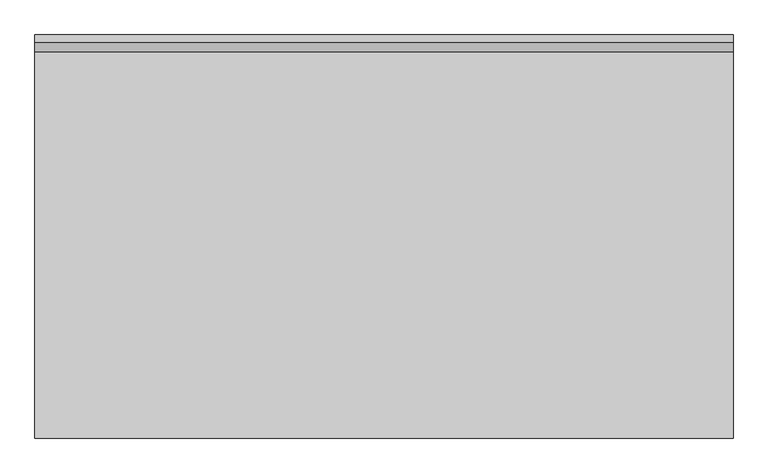
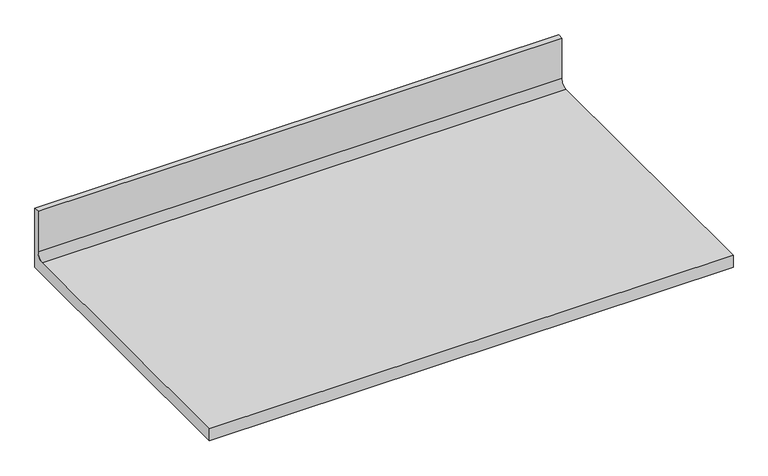
"""IFC4 building model written with IfcOpenShell, lengths in millimetres: furniture geometry."""

import ifcopenshell
import ifcopenshell.guid

model = None  # the IFC model being written
_history = None  # IfcOwnerHistory: only IFC2X3 demands one
_inside = {}  # id of a spatial element -> (the spatial element, [elements in it])
_under = {}  # id of a project, library or spatial element -> (it, [spatial elements below it])
_declared = {}  # id of a project -> (the project, [libraries it declares])
_typed = {}  # id of a type object -> (the type object, [elements of that type])
_made_of = {}  # id of a material, layer set ... -> (it, [elements and type objects made of it])


def new_model(schema):
    """Start an empty IFC model of exactly this schema.

    Asked for "IFC4X3", IfcOpenShell would pick the latest addendum, in which some entities
    have other attributes; the version numbers below select the first issue.
    IFC2X3 requires an IfcOwnerHistory on every rooted entity: one is made here for all.
    """
    global model, _history
    if schema == "IFC4X3":
        model = ifcopenshell.file(schema_version=(4, 3, 0, 0))
    else:
        model = ifcopenshell.file(schema=schema)
    _inside.clear()
    _under.clear()
    _declared.clear()
    _typed.clear()
    _made_of.clear()
    _history = None
    if model.schema == "IFC2X3":
        org = make("IfcOrganization", Name="unknown")
        user = make(
            "IfcPersonAndOrganization",
            ThePerson=make("IfcPerson", FamilyName="unknown"),
            TheOrganization=org,
        )
        app = make(
            "IfcApplication",
            ApplicationDeveloper=org,
            Version="unknown",
            ApplicationFullName="unknown",
            ApplicationIdentifier="unknown",
        )
        _history = make(
            "IfcOwnerHistory",
            OwningUser=user,
            OwningApplication=app,
            ChangeAction="ADDED",
            CreationDate=0,
        )
    return model


def make(cls, **values):
    """One entity of the class cls with the attributes given. An attribute that is None is left unset."""
    return model.create_entity(
        cls, **{name: value for name, value in values.items() if value is not None}
    )


def rooted(cls, **values):
    """An entity with a GlobalId (a new one), such as an element, a storey or a relation."""
    return make(cls, GlobalId=ifcopenshell.guid.new(), OwnerHistory=_history, **values)


def si_unit(unit_type, name, prefix=None):
    """IfcSIUnit, for example si_unit("LENGTHUNIT", "METRE", prefix="MILLI")."""
    return make("IfcSIUnit", UnitType=unit_type, Prefix=prefix, Name=name)


def assignment(units):
    """IfcUnitAssignment: the units of a project."""
    return None if units is None else make("IfcUnitAssignment", Units=units)


def point(xyz):
    """IfcCartesianPoint."""
    return None if xyz is None else make("IfcCartesianPoint", Coordinates=xyz)


def direction(xyz):
    """IfcDirection."""
    return None if xyz is None else make("IfcDirection", DirectionRatios=xyz)


def frame(location, z_axis=None, x_axis=None):
    """IfcAxis2Placement3D, a coordinate frame: its origin and axes. An axis left out is left unset."""
    return make(
        "IfcAxis2Placement3D",
        Location=point(location),
        Axis=direction(z_axis),
        RefDirection=direction(x_axis),
    )


def frame_2d(location, x_axis=None):
    """IfcAxis2Placement2D, a coordinate frame in the plane: its origin and x axis."""
    return make(
        "IfcAxis2Placement2D", Location=point(location), RefDirection=direction(x_axis)
    )


def origin():
    """The frame at (0, 0, 0) with its axes left unset."""
    return frame((0.0, 0.0, 0.0))


def place(relative_to, where):
    """IfcLocalPlacement: puts the frame where relative to a parent placement (None: the world)."""
    return make(
        "IfcLocalPlacement", PlacementRelTo=relative_to, RelativePlacement=where
    )


def context(
    kind, dimensions, precision=None, world=None, true_north=None, identifier=None
):
    """IfcGeometricRepresentationContext, for example the 3D "Model" context."""
    return make(
        "IfcGeometricRepresentationContext",
        ContextIdentifier=identifier,
        ContextType=kind,
        CoordinateSpaceDimension=dimensions,
        Precision=precision,
        WorldCoordinateSystem=world,
        TrueNorth=true_north,
    )


def project(units=None, contexts=None):
    """IfcProject with its units and contexts."""
    return rooted(
        "IfcProject",
        Name="project",
        RepresentationContexts=contexts,
        UnitsInContext=assignment(units),
    )


def spatial(cls, under=None, at=None, **own):
    """A site, building, storey or space (cls), placed at a placement, below another one or the project."""
    s = rooted(cls, ObjectPlacement=at, **own)
    if under is not None:
        _under.setdefault(under.id(), (under, []))[1].append(s)
    return s


def polyline(points):
    """IfcPolyline through the points."""
    return make("IfcPolyline", Points=[point(p) for p in points])


def circle_curve(where, radius):
    """IfcCircle in the frame where."""
    return make("IfcCircle", Position=where, Radius=radius)


def trimmed(basis, trim1, trim2, sense, master):
    """IfcTrimmedCurve: the piece of a basis curve between two trims."""
    return make(
        "IfcTrimmedCurve",
        BasisCurve=basis,
        Trim1=trim1,
        Trim2=trim2,
        SenseAgreement=sense,
        MasterRepresentation=master,
    )


def segment(curve, same_sense, transition):
    """IfcCompositeCurveSegment."""
    return make(
        "IfcCompositeCurveSegment",
        Transition=transition,
        SameSense=same_sense,
        ParentCurve=curve,
    )


def composite_curve(segments, self_intersect=None):
    """IfcCompositeCurve: segments joined end to end."""
    return make("IfcCompositeCurve", Segments=segments, SelfIntersect=self_intersect)


def outline(outer, holes=None, kind="AREA"):
    """IfcArbitraryClosedProfileDef: a profile drawn as a closed curve; with holes, ...WithVoids."""
    if holes is None:
        return make("IfcArbitraryClosedProfileDef", ProfileType=kind, OuterCurve=outer)
    return make(
        "IfcArbitraryProfileDefWithVoids",
        ProfileType=kind,
        OuterCurve=outer,
        InnerCurves=holes,
    )


def extrude(swept, where, along, depth):
    """IfcExtrudedAreaSolid: the profile swept, set in the frame where, extruded along a direction by depth."""
    return make(
        "IfcExtrudedAreaSolid",
        SweptArea=swept,
        Position=where,
        ExtrudedDirection=direction(along),
        Depth=depth,
    )


def shape(context_of_items, identifier, shape_type, items):
    """IfcShapeRepresentation: the items that make up one representation, for example the "Body"."""
    return make(
        "IfcShapeRepresentation",
        ContextOfItems=context_of_items,
        RepresentationIdentifier=identifier,
        RepresentationType=shape_type,
        Items=items,
    )


def source(mapping_origin, context_of_items, identifier, shape_type, items):
    """IfcRepresentationMap: a shape defined once, which mapped items show again and again."""
    return make(
        "IfcRepresentationMap",
        MappingOrigin=mapping_origin,
        MappedRepresentation=shape(context_of_items, identifier, shape_type, items),
    )


def transform(
    local_origin,
    x_axis=None,
    y_axis=None,
    z_axis=None,
    scale=None,
    scale2=None,
    scale3=None,
    uniform=True,
):
    """IfcCartesianTransformationOperator3D, or its non-uniform kind. x_axis, y_axis, z_axis: its Axis1, 2, 3."""
    if uniform:
        return make(
            "IfcCartesianTransformationOperator3D",
            Axis1=direction(x_axis),
            Axis2=direction(y_axis),
            LocalOrigin=point(local_origin),
            Scale=scale,
            Axis3=direction(z_axis),
        )
    return make(
        "IfcCartesianTransformationOperator3DnonUniform",
        Axis1=direction(x_axis),
        Axis2=direction(y_axis),
        LocalOrigin=point(local_origin),
        Scale=scale,
        Axis3=direction(z_axis),
        Scale2=scale2,
        Scale3=scale3,
    )


def mapped(mapping_source, mapping_target):
    """IfcMappedItem: shows the shape of a source again, moved by a transform."""
    return make(
        "IfcMappedItem", MappingSource=mapping_source, MappingTarget=mapping_target
    )


def made_of(thing, what):
    """Note that an element or type object is made of a material, layer set ...; save() writes the relation."""
    if what is not None:
        _made_of.setdefault(what.id(), (what, []))[1].append(thing)
    return thing


def element(
    cls,
    number,
    at=None,
    inside=None,
    cuts=None,
    type_object=None,
    material=None,
    context=None,
    identifier="Body",
    shape_type=None,
    held_by="IfcProductDefinitionShape",
    body=None,
    shapes=None,
    **own,
):
    """One element of the class cls, such as IfcWall. Its Tag is "e" and its number.

    at: its placement. inside: the storey or other place that contains it. cuts: it is an
    opening in that element (IfcRelVoidsElement). A single representation is given by context,
    identifier, shape_type and body (its items); several are given by shapes. held_by: the class
    of the entity that holds the representations. save() writes the other relations.
    """
    e = rooted(cls, Tag="e%d" % number, ObjectPlacement=at, **own)
    if body is not None:
        shapes = [shape(context, identifier, shape_type, body)]
    if shapes is not None:
        e.Representation = make(held_by, Representations=shapes)
    if inside is not None:
        _inside.setdefault(inside.id(), (inside, []))[1].append(e)
    if cuts is not None:
        rooted(
            "IfcRelVoidsElement", RelatingBuildingElement=cuts, RelatedOpeningElement=e
        )
    if type_object is not None:
        _typed.setdefault(type_object.id(), (type_object, []))[1].append(e)
    return made_of(e, material)


def aggregate(whole, parts):
    """IfcRelAggregates: a whole, such as a stair, and the parts it consists of."""
    return rooted("IfcRelAggregates", RelatingObject=whole, RelatedObjects=parts)


def save(model, path):
    """Write the relations noted so far, then the file.

    IfcRelAggregates (storeys below a building ...), IfcRelContainedInSpatialStructure (elements
    in a storey), IfcRelDefinesByType, IfcRelAssociatesMaterial and IfcRelDeclares: one each for
    every whole, place, type object, material and project.
    """
    for whole, parts in _under.values():
        aggregate(whole, parts)
    for where, things in _inside.values():
        rooted(
            "IfcRelContainedInSpatialStructure",
            RelatedElements=things,
            RelatingStructure=where,
        )
    for kind, things in _typed.values():
        rooted("IfcRelDefinesByType", RelatedObjects=things, RelatingType=kind)
    for what, things in _made_of.values():
        rooted("IfcRelAssociatesMaterial", RelatedObjects=things, RelatingMaterial=what)
    for by, libraries in _declared.values():
        rooted("IfcRelDeclares", RelatingContext=by, RelatedDefinitions=libraries)
    model.write(path)


def furniture_da99c168(model_context):
    return source(origin(), model_context, "Body", "SweptSolid", [
        extrude(outline(composite_curve([segment(polyline([(0.0, 787.4), (-615.95, 787.4), (-615.95, 812.8), (-25.8191, 812.8)]), True, "CONTINUOUS"), segment(trimmed(circle_curve(frame_2d((-25.8191, 827.5066)), 14.7066), [point((-25.8191, 812.8))], [point((-11.1125, 827.5066))], True, "CARTESIAN"), True, "CONTINUOUS"), segment(polyline([(-11.1125, 827.5066), (-11.1125, 914.4), (0.0, 914.4), (0.0, 787.4)]), True, "CONTINUOUS")], self_intersect=False)), frame((0.0, 0.0, 0.0), z_axis=(1.0, 0.0, 0.0), x_axis=(0.0, 1.0, 0.0)), (0.0, 0.0, 1.0), 1066.8),
    ])


if __name__ == "__main__":
    model = new_model("IFC4")
    model_context = context("Model", 3, world=origin())
    ifc_project = project(units=[si_unit("LENGTHUNIT", "METRE", prefix="MILLI")], contexts=[model_context])
    site = spatial("IfcSite", under=ifc_project)
    building = spatial("IfcBuilding", under=site)
    placement = place(None, origin())
    furniture_shape = furniture_da99c168(model_context)
    element("IfcFurniture", 1, at=placement, inside=building, context=model_context, shape_type="MappedRepresentation", body=[
        mapped(furniture_shape, transform((0.0, 0.0, 0.0), x_axis=(1.0, 0.0, 0.0), y_axis=(0.0, 1.0, 0.0), z_axis=(0.0, 0.0, 1.0))),
    ])
    save(model, "model.ifc")
